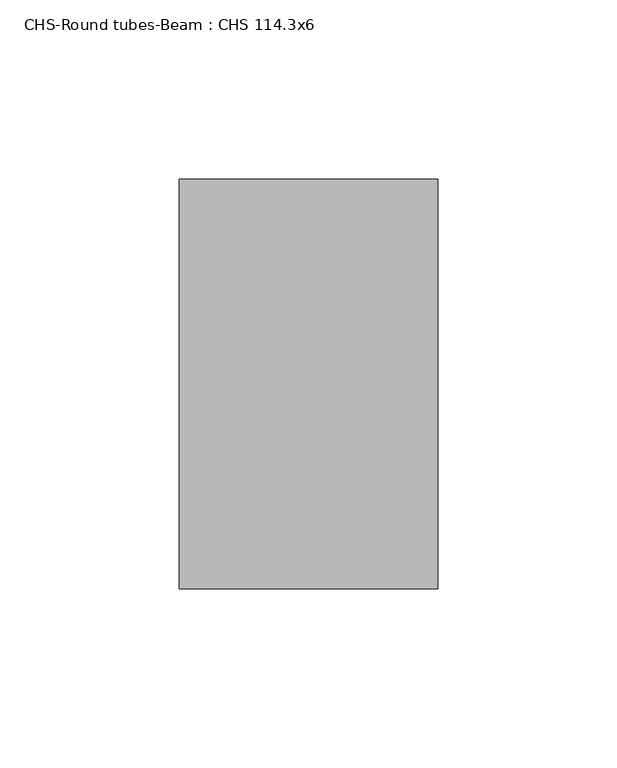
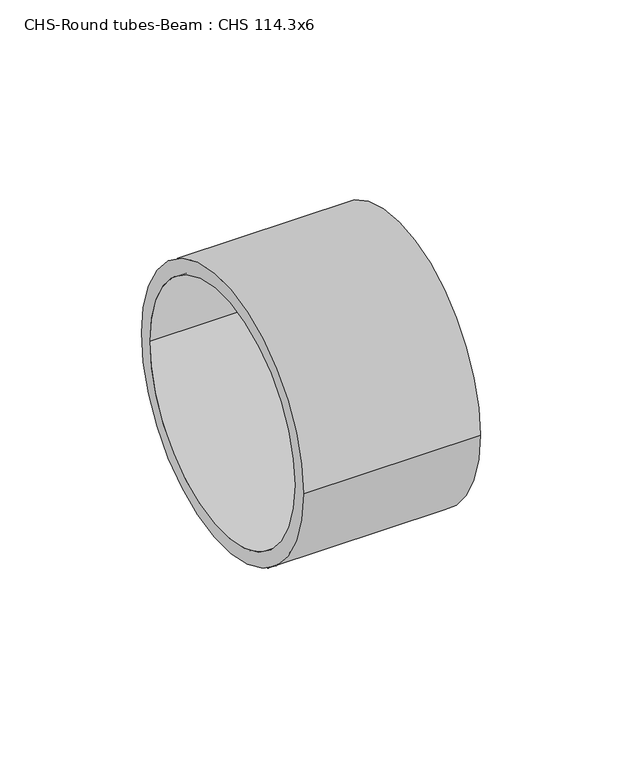
"""IFC4 building model written with IfcOpenShell, lengths in millimetres: beam geometry, CHS-Round tubes-Beam : CHS 114.3x6."""

from ifc_helpers import new_model, si_unit, point, frame, origin, origin_2d, place, context, project, spatial, circle_curve, trimmed, segment, composite_curve, outline, extrude, source, transform, mapped, element, save


def chs_round_tubes_beam_chs_114_3x6_dde37e7e(model_context):
    return source(origin(), model_context, "Body", "SweptSolid", [
        extrude(outline(composite_curve([segment(trimmed(circle_curve(origin_2d(), 57.15), [point((-57.15, 0.0))], [point((57.15, 0.0))], False, "CARTESIAN"), True, "CONTINUOUS"), segment(trimmed(circle_curve(origin_2d(), 57.15), [point((57.15, 0.0))], [point((-57.15, 0.0))], False, "CARTESIAN"), True, "CONTINUOUS")], self_intersect=False), holes=[composite_curve([segment(trimmed(circle_curve(origin_2d(), 51.15), [point((-51.15, 0.0))], [point((51.15, 0.0))], True, "CARTESIAN"), True, "CONTINUOUS"), segment(trimmed(circle_curve(origin_2d(), 51.15), [point((51.15, 0.0))], [point((-51.15, 0.0))], True, "CARTESIAN"), True, "CONTINUOUS")], self_intersect=False)]), frame((116.734235, 0.0, 0.0), z_axis=(1.0, 0.0, 0.0), x_axis=(0.0, 1.0, 0.0)), (0.0, 0.0, 1.0), 72.1706859),
    ])


if __name__ == "__main__":
    model = new_model("IFC4")
    model_context = context("Model", 3, world=origin())
    ifc_project = project(units=[si_unit("LENGTHUNIT", "METRE", prefix="MILLI")], contexts=[model_context])
    site = spatial("IfcSite", under=ifc_project)
    building = spatial("IfcBuilding", under=site)
    placement = place(None, origin())
    chs_round_tubes_beam_chs_114_3x6_shape = chs_round_tubes_beam_chs_114_3x6_dde37e7e(model_context)
    element("IfcBeam", 1, ObjectType="CHS-Round tubes-Beam : CHS 114.3x6", at=placement, inside=building, context=model_context, shape_type="MappedRepresentation", body=[
        mapped(chs_round_tubes_beam_chs_114_3x6_shape, transform((0.0, 0.0, 0.0), x_axis=(1.0, 0.0, 0.0), y_axis=(0.0, 1.0, 0.0), z_axis=(0.0, 0.0, 1.0))),
    ])
    save(model, "model.ifc")
